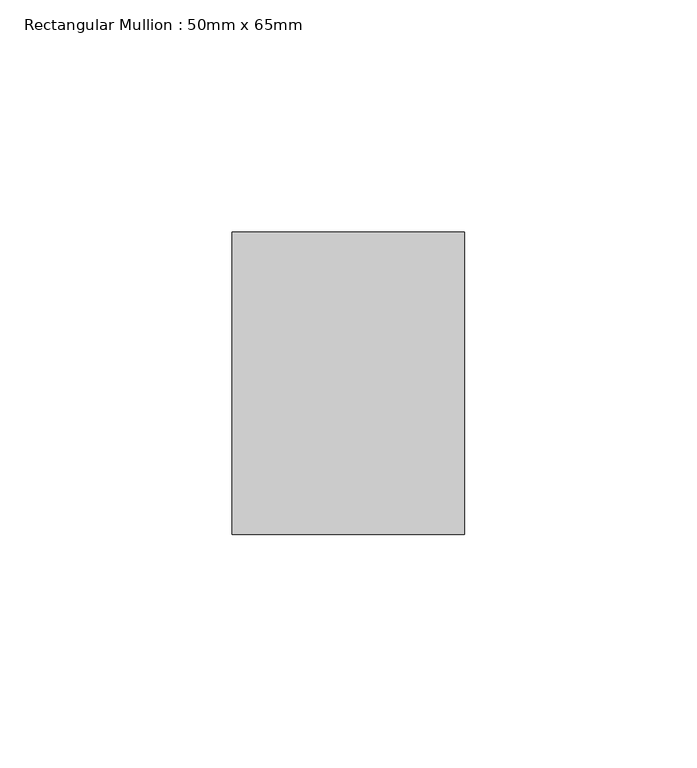
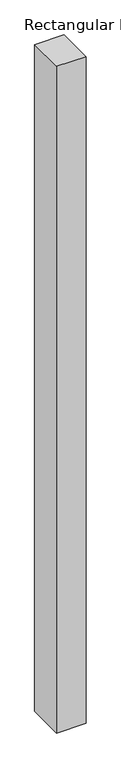
"""IFC4 building model written with IfcOpenShell, lengths in millimetres: member geometry, Rectangular Mullion : 50mm x 65mm."""

from ifc_helpers import new_model, si_unit, frame, origin, place, context, project, spatial, polyline, outline, extrude, source, transform, mapped, element, save


def rectangular_mullion_50mm_x_65mm_c6a940da(model_context):
    return source(origin(), model_context, "Body", "SweptSolid", [
        extrude(outline(polyline([(25.0, 32.5), (25.0, -32.5), (-25.0, -32.5), (-25.0, 32.5), (25.0, 32.5)])), frame((0.0, 0.0, -1205.1792384), z_axis=(0.0, 0.0, 1.0), x_axis=(1.0, 0.0, 0.0)), (0.0, 0.0, 1.0), 1205.1792384),
    ])


if __name__ == "__main__":
    model = new_model("IFC4")
    model_context = context("Model", 3, world=origin())
    ifc_project = project(units=[si_unit("LENGTHUNIT", "METRE", prefix="MILLI")], contexts=[model_context])
    site = spatial("IfcSite", under=ifc_project)
    building = spatial("IfcBuilding", under=site)
    placement = place(None, origin())
    rectangular_mullion_50mm_x_65mm_shape = rectangular_mullion_50mm_x_65mm_c6a940da(model_context)
    element("IfcMember", 1, ObjectType="Rectangular Mullion : 50mm x 65mm", at=placement, inside=building, context=model_context, shape_type="MappedRepresentation", body=[
        mapped(rectangular_mullion_50mm_x_65mm_shape, transform((0.0, 0.0, 0.0), x_axis=(1.0, 0.0, 0.0), y_axis=(0.0, 1.0, 0.0), z_axis=(0.0, 0.0, 1.0))),
    ])
    save(model, "model.ifc")
